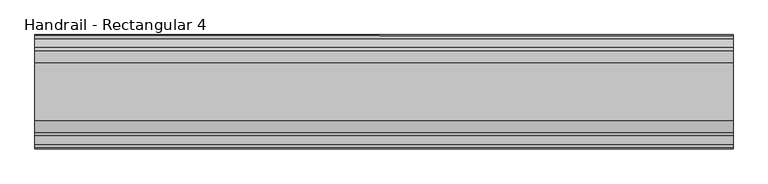
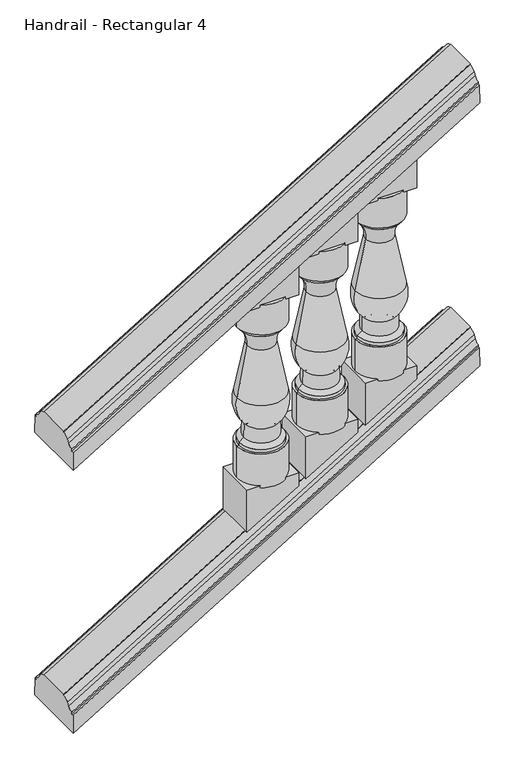
"""IFC4 building model written with IfcOpenShell, lengths in millimetres: railing geometry, Handrail - Rectangular 4."""

from ifc_helpers import new_model, si_unit, point, frame, origin, place, context, project, spatial, polyline, circle_curve, ellipse_curve, trimmed, outline, extrude, source, transform, mapped, element, save
from ifc_brep_helpers import plane_surface, cylinder_surface, revolved_surface, advanced_brep


def handrail_rectangular_4_7b08d0b7(model_context):
    return source(origin(), model_context, "Body", "SolidModel", [
        advanced_brep(
        [(10937.1027138, 3915.5232089, 1199.0074207), (10937.1027138, 3932.6436506, 1210.4791063), (10937.1027138, 3939.1037227, 1221.5403426), (10937.1027138, 3963.1482089, 1232.4207421), (10937.1027138, 3963.1482089, 1236.1333333), (10937.1027138, 4079.0357089, 1236.1333333), (10937.1027138, 4079.0357089, 1232.4207421), (10937.1027138, 4103.080195, 1221.5403426), (10937.1027138, 4109.5402671, 1210.4791063), (10937.1027138, 4126.6607089, 1199.0074207), (10937.1027138, 4126.6607089, 1191.5822381), (10937.1027138, 4133.8044589, 1191.5822381), (10937.1027138, 4135.3919589, 1128.4681866), (10937.1027138, 3906.7919589, 1128.4681866), (10937.1027138, 3908.3794589, 1191.5822381), (10937.1027138, 3915.5232089, 1191.5822381), (12334.1027138, 3915.5232089, 2045.6740873), (12334.1027138, 3915.5232089, 2038.2489048), (12334.1027138, 3908.3794589, 2038.2489048), (12334.1027138, 3906.7919589, 1975.1348533), (12334.1027138, 4135.3919589, 1975.1348533), (12334.1027138, 4133.8044589, 2038.2489048), (12334.1027138, 4126.6607089, 2038.2489048), (12334.1027138, 4126.6607089, 2045.6740873), (12334.1027138, 4109.5402671, 2057.145773), (12334.1027138, 4103.080195, 2068.2070092), (12334.1027138, 4079.0357089, 2079.0874087), (12334.1027138, 4079.0357089, 2082.8), (12334.1027138, 3963.1482089, 2082.8), (12334.1027138, 3963.1482089, 2079.0874087), (12334.1027138, 3939.1037227, 2068.2070092), (12334.1027138, 3932.6436506, 2057.145773)],
        [
            (0, 1, ellipse_curve(frame((10937.1027138, 3915.5232089, 1222.2111161), z_axis=(1.0, 0.0, 0.0), x_axis=(0.0, 0.0, 1.0)), 23.2036954, 19.84375)),
            (1, 2),
            (2, 3, ellipse_curve(frame((10937.1027138, 3963.1482089, 1190.6540903), z_axis=(-1.0, 0.0, 0.0), x_axis=(0.0, 0.0, -1.0)), 41.7666517, 35.71875)),
            (3, 4),
            (4, 5),
            (5, 6),
            (6, 7, ellipse_curve(frame((10937.1027138, 4079.0357089, 1190.6540903), z_axis=(-1.0, 0.0, 0.0), x_axis=(0.0, 0.0, -1.0)), 41.7666517, 35.71875)),
            (7, 8),
            (8, 9, ellipse_curve(frame((10937.1027138, 4126.6607089, 1222.2111161), z_axis=(1.0, 0.0, 0.0), x_axis=(0.0, 0.0, 1.0)), 23.2036954, 19.84375)),
            (9, 10),
            (10, 11),
            (11, 12),
            (12, 13),
            (13, 14),
            (14, 15),
            (15, 0),
            (16, 17),
            (17, 18),
            (18, 19),
            (19, 20),
            (20, 21),
            (21, 22),
            (22, 23),
            (23, 24, ellipse_curve(frame((12334.1027138, 4126.6607089, 2068.8777828), z_axis=(-1.0, 0.0, 0.0), x_axis=(0.0, 0.0, 1.0)), 23.2036954, 19.84375)),
            (24, 25),
            (25, 26, ellipse_curve(frame((12334.1027138, 4079.0357089, 2037.320757), z_axis=(1.0, 0.0, 0.0), x_axis=(0.0, 0.0, -1.0)), 41.7666517, 35.71875)),
            (26, 27),
            (27, 28),
            (28, 29),
            (29, 30, ellipse_curve(frame((12334.1027138, 3963.1482089, 2037.320757), z_axis=(1.0, 0.0, 0.0), x_axis=(0.0, 0.0, -1.0)), 41.7666517, 35.71875)),
            (30, 31),
            (31, 16, ellipse_curve(frame((12334.1027138, 3915.5232089, 2068.8777828), z_axis=(-1.0, 0.0, 0.0), x_axis=(0.0, 0.0, 1.0)), 23.2036954, 19.84375)),
            (0, 16),
            (31, 1),
            (30, 2),
            (29, 3),
            (28, 4),
            (27, 5),
            (26, 6),
            (25, 7),
            (24, 8),
            (23, 9),
            (22, 10),
            (21, 11),
            (20, 12),
            (19, 13),
            (18, 14),
            (17, 15),
        ],
        [
            plane_surface(frame((10937.1027138, 4021.0919589, 1236.1333333), z_axis=(-1.0, 0.0, 0.0), x_axis=(0.0, 1.0, 0.0))),
            plane_surface(frame((12334.1027138, 4021.0919589, 2082.8), z_axis=(1.0, 0.0, 0.0), x_axis=(0.0, 1.0, 0.0))),
            revolved_surface(polyline([(12349.587982704497, 3932.643650672254, 2066.5307845075777), (10932.017883342452, 3932.643650672254, 1207.3973909549572)]), (10943.2737436, 3915.5232089, 1225.9511342), (0.8551978315540539, 0.0, 0.518301716093285)),
            plane_surface(frame((10937.1027138, 3932.6436506, 1210.4791063), z_axis=(-0.29229904298269427, -0.8258052588880855, 0.4822934209215209), x_axis=(0.8551978315540539, 0.0, 0.518301716093285))),
            cylinder_surface(frame((10957.2614111, 3963.1482089, 1202.8714827), z_axis=(-0.8551978315540539, 0.0, -0.518301716093285), x_axis=(-0.518301716093285, 0.0, 0.8551978315540539)), 35.71875),
            plane_surface(frame((10937.1027138, 3963.1482089, 1232.4207421), z_axis=(0.0, -1.0000000000000002, 0.0), x_axis=(0.8551978315540539, 0.0, 0.518301716093285))),
            plane_surface(frame((10937.1027138, 3963.1482089, 1236.1333333), z_axis=(-0.518301716093285, 0.0, 0.8551978315540539), x_axis=(0.8551978315540539, 0.0, 0.518301716093285))),
            plane_surface(frame((10937.1027138, 4079.0357089, 1236.1333333), z_axis=(0.0, 1.0000000000000002, 0.0), x_axis=(0.8551978315540539, 0.0, 0.518301716093285))),
            cylinder_surface(frame((10957.2614111, 4079.0357089, 1202.8714827), z_axis=(-0.8551978315540539, 0.0, -0.518301716093285), x_axis=(-0.518301716093285, 0.0, 0.8551978315540539)), 35.71875),
            plane_surface(frame((10937.1027138, 4103.080195, 1221.5403426), z_axis=(-0.2922990429826896, 0.8258052588880918, 0.4822934209215132), x_axis=(0.8551978315540539, 0.0, 0.518301716093285))),
            revolved_surface(polyline([(12349.587982704497, 4109.540267127746, 2066.5307845075777), (10932.017883342452, 4109.540267127746, 1207.3973909549572)]), (10943.2737436, 4126.6607089, 1225.9511342), (0.8551978315540539, 0.0, 0.518301716093285)),
            plane_surface(frame((10937.1027138, 4126.6607089, 1199.0074207), z_axis=(0.0, 1.0000000000000002, 0.0), x_axis=(0.8551978315540539, 0.0, 0.5183017160932849))),
            plane_surface(frame((10937.1027138, 4126.6607089, 1191.5822381), z_axis=(-0.5183017160932849, 0.0, 0.8551978315540539), x_axis=(0.8551978315540539, 0.0, 0.5183017160932849))),
            plane_surface(frame((10937.1027138, 4133.8044589, 1191.5822381), z_axis=(-0.015237578896775987, 0.9995677544643533, 0.02514200517968431), x_axis=(0.8551978315540539, 0.0, 0.5183017160932849))),
            plane_surface(frame((10937.1027138, 4135.3919589, 1128.4681866), z_axis=(0.518301716093285, 0.0, -0.8551978315540539), x_axis=(0.8551978315540539, 0.0, 0.518301716093285))),
            plane_surface(frame((10937.1027138, 3906.7919589, 1128.4681866), z_axis=(-0.015237578896776153, -0.9995677544643533, 0.02514200517968458), x_axis=(0.8551978315540539, 0.0, 0.518301716093285))),
            plane_surface(frame((10937.1027138, 3908.3794589, 1191.5822381), z_axis=(-0.5183017160932849, 0.0, 0.8551978315540539), x_axis=(0.8551978315540539, 0.0, 0.5183017160932849))),
            plane_surface(frame((10937.1027138, 3915.5232089, 1191.5822381), z_axis=(0.0, -1.0000000000000002, 0.0), x_axis=(0.8551978315540539, 0.0, 0.5183017160932849))),
        ],
        [
            (0, [[1, 2, 3, 4, 5, 6, 7, 8, 9, 10, 11, 12, 13, 14, 15, 16]]),
            (1, [[17, 18, 19, 20, 21, 22, 23, 24, 25, 26, 27, 28, 29, 30, 31, 32]]),
            (2, [[-1, 33, -32, 34]]),
            (3, [[-2, -34, -31, 35]]),
            (4, [[-3, -35, -30, 36]]),
            (5, [[-4, -36, -29, 37]]),
            (6, [[-5, -37, -28, 38]]),
            (7, [[-6, -38, -27, 39]]),
            (8, [[-7, -39, -26, 40]]),
            (9, [[-8, -40, -25, 41]]),
            (10, [[-9, -41, -24, 42]]),
            (11, [[-10, -42, -23, 43]]),
            (12, [[-11, -43, -22, 44]]),
            (13, [[-12, -44, -21, 45]]),
            (14, [[-13, -45, -20, 46]]),
            (15, [[-14, -46, -19, 47]]),
            (16, [[-15, -47, -18, 48]]),
            (17, [[-16, -48, -17, -33]]),
        ],
    ),
        advanced_brep(
        [(10937.1027138, 3915.5232089, 243.3324207), (10937.1027138, 3932.6436506, 254.8041063), (10937.1027138, 3939.1037227, 265.8653426), (10937.1027138, 3963.1482089, 276.7457421), (10937.1027138, 3963.1482089, 280.4583333), (10937.1027138, 4079.0357089, 280.4583333), (10937.1027138, 4079.0357089, 276.7457421), (10937.1027138, 4103.080195, 265.8653426), (10937.1027138, 4109.5402671, 254.8041063), (10937.1027138, 4126.6607089, 243.3324207), (10937.1027138, 4126.6607089, 235.9072381), (10937.1027138, 4133.8044589, 235.9072381), (10937.1027138, 4135.3919589, 172.7931866), (10937.1027138, 3906.7919589, 172.7931866), (10937.1027138, 3908.3794589, 235.9072381), (10937.1027138, 3915.5232089, 235.9072381), (12334.1027138, 3915.5232089, 1089.9990873), (12334.1027138, 3915.5232089, 1082.5739048), (12334.1027138, 3908.3794589, 1082.5739048), (12334.1027138, 3906.7919589, 1019.4598533), (12334.1027138, 4135.3919589, 1019.4598533), (12334.1027138, 4133.8044589, 1082.5739048), (12334.1027138, 4126.6607089, 1082.5739048), (12334.1027138, 4126.6607089, 1089.9990873), (12334.1027138, 4109.5402671, 1101.470773), (12334.1027138, 4103.080195, 1112.5320092), (12334.1027138, 4079.0357089, 1123.4124087), (12334.1027138, 4079.0357089, 1127.125), (12334.1027138, 3963.1482089, 1127.125), (12334.1027138, 3963.1482089, 1123.4124087), (12334.1027138, 3939.1037227, 1112.5320092), (12334.1027138, 3932.6436506, 1101.470773)],
        [
            (0, 1, ellipse_curve(frame((10937.1027138, 3915.5232089, 266.5361161), z_axis=(1.0, 0.0, 0.0), x_axis=(0.0, 0.0, 1.0)), 23.2036954, 19.84375)),
            (1, 2),
            (2, 3, ellipse_curve(frame((10937.1027138, 3963.1482089, 234.9790903), z_axis=(-1.0, 0.0, 0.0), x_axis=(0.0, 0.0, -1.0)), 41.7666517, 35.71875)),
            (3, 4),
            (4, 5),
            (5, 6),
            (6, 7, ellipse_curve(frame((10937.1027138, 4079.0357089, 234.9790903), z_axis=(-1.0, 0.0, 0.0), x_axis=(0.0, 0.0, -1.0)), 41.7666517, 35.71875)),
            (7, 8),
            (8, 9, ellipse_curve(frame((10937.1027138, 4126.6607089, 266.5361161), z_axis=(1.0, 0.0, 0.0), x_axis=(0.0, 0.0, 1.0)), 23.2036954, 19.84375)),
            (9, 10),
            (10, 11),
            (11, 12),
            (12, 13),
            (13, 14),
            (14, 15),
            (15, 0),
            (16, 17),
            (17, 18),
            (18, 19),
            (19, 20),
            (20, 21),
            (21, 22),
            (22, 23),
            (23, 24, ellipse_curve(frame((12334.1027138, 4126.6607089, 1113.2027828), z_axis=(-1.0, 0.0, 0.0), x_axis=(0.0, 0.0, 1.0)), 23.2036954, 19.84375)),
            (24, 25),
            (25, 26, ellipse_curve(frame((12334.1027138, 4079.0357089, 1081.645757), z_axis=(1.0, 0.0, 0.0), x_axis=(0.0, 0.0, -1.0)), 41.7666517, 35.71875)),
            (26, 27),
            (27, 28),
            (28, 29),
            (29, 30, ellipse_curve(frame((12334.1027138, 3963.1482089, 1081.645757), z_axis=(1.0, 0.0, 0.0), x_axis=(0.0, 0.0, -1.0)), 41.7666517, 35.71875)),
            (30, 31),
            (31, 16, ellipse_curve(frame((12334.1027138, 3915.5232089, 1113.2027828), z_axis=(-1.0, 0.0, 0.0), x_axis=(0.0, 0.0, 1.0)), 23.2036954, 19.84375)),
            (0, 16),
            (31, 1),
            (30, 2),
            (29, 3),
            (28, 4),
            (27, 5),
            (26, 6),
            (25, 7),
            (24, 8),
            (23, 9),
            (22, 10),
            (21, 11),
            (20, 12),
            (19, 13),
            (18, 14),
            (17, 15),
        ],
        [
            plane_surface(frame((10937.1027138, 4021.0919589, 280.4583333), z_axis=(-1.0, 0.0, 0.0), x_axis=(0.0, 1.0, 0.0))),
            plane_surface(frame((12334.1027138, 4021.0919589, 1127.125), z_axis=(1.0, 0.0, 0.0), x_axis=(0.0, 1.0, 0.0))),
            revolved_surface(polyline([(12349.587982704497, 3932.643650672254, 1110.8557845075777), (10932.017883342452, 3932.643650672254, 251.72239095495712)]), (10943.2737436, 3915.5232089, 270.2761342), (0.8551978315540539, 0.0, 0.518301716093285)),
            plane_surface(frame((10937.1027138, 3932.6436506, 254.8041063), z_axis=(-0.29229904298269427, -0.8258052588880855, 0.4822934209215209), x_axis=(0.8551978315540539, 0.0, 0.518301716093285))),
            cylinder_surface(frame((10957.2614111, 3963.1482089, 247.1964827), z_axis=(-0.8551978315540539, 0.0, -0.518301716093285), x_axis=(-0.518301716093285, 0.0, 0.8551978315540539)), 35.71875),
            plane_surface(frame((10937.1027138, 3963.1482089, 276.7457421), z_axis=(0.0, -1.0000000000000002, 0.0), x_axis=(0.8551978315540539, 0.0, 0.518301716093285))),
            plane_surface(frame((10937.1027138, 3963.1482089, 280.4583333), z_axis=(-0.518301716093285, 0.0, 0.8551978315540539), x_axis=(0.8551978315540539, 0.0, 0.518301716093285))),
            plane_surface(frame((10937.1027138, 4079.0357089, 280.4583333), z_axis=(0.0, 1.0000000000000002, 0.0), x_axis=(0.8551978315540539, 0.0, 0.518301716093285))),
            cylinder_surface(frame((10957.2614111, 4079.0357089, 247.1964827), z_axis=(-0.8551978315540539, 0.0, -0.518301716093285), x_axis=(-0.518301716093285, 0.0, 0.8551978315540539)), 35.71875),
            plane_surface(frame((10937.1027138, 4103.080195, 265.8653426), z_axis=(-0.2922990429826896, 0.8258052588880918, 0.4822934209215132), x_axis=(0.8551978315540539, 0.0, 0.518301716093285))),
            revolved_surface(polyline([(12349.587982704497, 4109.540267127746, 1110.8557845075777), (10932.017883342452, 4109.540267127746, 251.72239095495718)]), (10943.2737436, 4126.6607089, 270.2761342), (0.8551978315540539, 0.0, 0.518301716093285)),
            plane_surface(frame((10937.1027138, 4126.6607089, 243.3324207), z_axis=(0.0, 1.0000000000000002, 0.0), x_axis=(0.8551978315540539, 0.0, 0.518301716093285))),
            plane_surface(frame((10937.1027138, 4126.6607089, 235.9072381), z_axis=(-0.518301716093285, 0.0, 0.8551978315540539), x_axis=(0.8551978315540539, 0.0, 0.518301716093285))),
            plane_surface(frame((10937.1027138, 4133.8044589, 235.9072381), z_axis=(-0.015237578896775988, 0.9995677544643533, 0.02514200517968431), x_axis=(0.8551978315540539, 0.0, 0.518301716093285))),
            plane_surface(frame((10937.1027138, 4135.3919589, 172.7931866), z_axis=(0.518301716093285, 0.0, -0.8551978315540538), x_axis=(0.8551978315540538, 0.0, 0.518301716093285))),
            plane_surface(frame((10937.1027138, 3906.7919589, 172.7931866), z_axis=(-0.015237578896776151, -0.9995677544643531, 0.025142005179684575), x_axis=(0.8551978315540538, 0.0, 0.518301716093285))),
            plane_surface(frame((10937.1027138, 3908.3794589, 235.9072381), z_axis=(-0.518301716093285, 0.0, 0.8551978315540539), x_axis=(0.8551978315540539, 0.0, 0.518301716093285))),
            plane_surface(frame((10937.1027138, 3915.5232089, 235.9072381), z_axis=(0.0, -1.0000000000000002, 0.0), x_axis=(0.8551978315540539, 0.0, 0.518301716093285))),
        ],
        [
            (0, [[1, 2, 3, 4, 5, 6, 7, 8, 9, 10, 11, 12, 13, 14, 15, 16]]),
            (1, [[17, 18, 19, 20, 21, 22, 23, 24, 25, 26, 27, 28, 29, 30, 31, 32]]),
            (2, [[-1, 33, -32, 34]]),
            (3, [[-2, -34, -31, 35]]),
            (4, [[-3, -35, -30, 36]]),
            (5, [[-4, -36, -29, 37]]),
            (6, [[-5, -37, -28, 38]]),
            (7, [[-6, -38, -27, 39]]),
            (8, [[-7, -39, -26, 40]]),
            (9, [[-8, -40, -25, 41]]),
            (10, [[-9, -41, -24, 42]]),
            (11, [[-10, -42, -23, 43]]),
            (12, [[-11, -43, -22, 44]]),
            (13, [[-12, -44, -21, 45]]),
            (14, [[-13, -45, -20, 46]]),
            (15, [[-14, -46, -19, 47]]),
            (16, [[-15, -47, -18, 48]]),
            (17, [[-16, -48, -17, -33]]),
        ],
    ),
        advanced_brep(
        [(11972.1527138, 4021.0919589, 1713.5840933), (12137.2527138, 4021.0919589, 1713.5840933), (12054.7027138, 4021.0919589, 1713.5840933), (11972.1527138, 4021.0919589, 1605.6340933), (12137.2527138, 4021.0919589, 1605.6340933), (11980.0902138, 4021.0919589, 1605.6340933), (12129.3152138, 4021.0919589, 1605.6340933), (11980.0902138, 4021.0919589, 1594.5215933), (12129.3152138, 4021.0919589, 1594.5215933), (12007.8714638, 4021.0919589, 1526.2590933), (12101.5339638, 4021.0919589, 1526.2590933), (11972.9464638, 4021.0919589, 1348.4590933), (12136.4589638, 4021.0919589, 1348.4590933), (11996.7589638, 4021.0919589, 1246.8590933), (12112.6464638, 4021.0919589, 1246.8590933), (11995.9652138, 4021.0919589, 1196.0590933), (12113.4402138, 4021.0919589, 1196.0590933), (11980.0902138, 4021.0919589, 1183.3590933), (12129.3152138, 4021.0919589, 1183.3590933), (11980.0902138, 4021.0919589, 1172.2465933), (12129.3152138, 4021.0919589, 1172.2465933), (11972.1527138, 4021.0919589, 1172.2465933), (12137.2527138, 4021.0919589, 1172.2465933), (11972.1527138, 4021.0919589, 1050.0090933), (12137.2527138, 4021.0919589, 1050.0090933), (12054.7027138, 4021.0919589, 1050.0090933)],
        [
            (0, 1, circle_curve(frame((12054.7027138, 4021.0919589, 1713.5840933), z_axis=(0.0, 0.0, 1.0), x_axis=(1.0, 0.0, 0.0)), 82.55)),
            (1, 2),
            (2, 0),
            (1, 0, circle_curve(frame((12054.7027138, 4021.0919589, 1713.5840933), z_axis=(0.0, 0.0, 1.0), x_axis=(1.0, 0.0, 0.0)), 82.55)),
            (3, 4, circle_curve(frame((12054.7027138, 4021.0919589, 1605.6340933), z_axis=(0.0, 0.0, 1.0), x_axis=(1.0, 0.0, 0.0)), 82.55)),
            (4, 1),
            (0, 3),
            (4, 3, circle_curve(frame((12054.7027138, 4021.0919589, 1605.6340933), z_axis=(0.0, 0.0, 1.0), x_axis=(1.0, 0.0, 0.0)), 82.55)),
            (5, 6, circle_curve(frame((12054.7027138, 4021.0919589, 1605.6340933), z_axis=(0.0, 0.0, 1.0), x_axis=(1.0, 0.0, 0.0)), 74.6125)),
            (6, 4),
            (3, 5),
            (6, 5, circle_curve(frame((12054.7027138, 4021.0919589, 1605.6340933), z_axis=(0.0, 0.0, 1.0), x_axis=(1.0, 0.0, 0.0)), 74.6125)),
            (7, 8, circle_curve(frame((12054.7027138, 4021.0919589, 1594.5215933), z_axis=(0.0, 0.0, 1.0), x_axis=(1.0, 0.0, 0.0)), 74.6125)),
            (8, 6),
            (5, 7),
            (8, 7, circle_curve(frame((12054.7027138, 4021.0919589, 1594.5215933), z_axis=(0.0, 0.0, 1.0), x_axis=(1.0, 0.0, 0.0)), 74.6125)),
            (9, 10, circle_curve(frame((12054.7027138, 4021.0919589, 1526.2590933), z_axis=(0.0, 0.0, 1.0), x_axis=(1.0, 0.0, 0.0)), 46.83125)),
            (10, 8, circle_curve(frame((12180.7079484, 4021.0919589, 1533.8215342), z_axis=(0.0, 1.0, 0.0), x_axis=(-1.0, 0.0, 0.0)), 79.5343344)),
            (7, 9, circle_curve(frame((11928.6974791, 4021.0919589, 1533.8215342), z_axis=(0.0, 1.0, 0.0), x_axis=(1.0, 0.0, 0.0)), 79.5343344)),
            (10, 9, circle_curve(frame((12054.7027138, 4021.0919589, 1526.2590933), z_axis=(0.0, 0.0, 1.0), x_axis=(1.0, 0.0, 0.0)), 46.83125)),
            (11, 12, circle_curve(frame((12054.7027138, 4021.0919589, 1348.4590933), z_axis=(0.0, 0.0, 1.0), x_axis=(1.0, 0.0, 0.0)), 81.75625)),
            (12, 10, circle_curve(frame((13016.4924187, 4021.0919589, 1613.6529416), z_axis=(0.0, 1.0, 0.0), x_axis=(-1.0, 0.0, 0.0)), 919.122766)),
            (9, 11, circle_curve(frame((11092.9130088, 4021.0919589, 1613.6529416), z_axis=(0.0, 1.0, 0.0), x_axis=(1.0, 0.0, 0.0)), 919.122766)),
            (12, 11, circle_curve(frame((12054.7027138, 4021.0919589, 1348.4590933), z_axis=(0.0, 0.0, 1.0), x_axis=(1.0, 0.0, 0.0)), 81.75625)),
            (13, 14, circle_curve(frame((12054.7027138, 4021.0919589, 1246.8590933), z_axis=(0.0, 0.0, 1.0), x_axis=(1.0, 0.0, 0.0)), 57.94375)),
            (14, 12, circle_curve(frame((12036.4244151, 4021.0919589, 1318.3141633), z_axis=(0.0, -1.0, 0.0), x_axis=(-1.0, 0.0, 0.0)), 104.4778815)),
            (11, 13, circle_curve(frame((12072.9810124, 4021.0919589, 1318.3141633), z_axis=(0.0, -1.0, 0.0), x_axis=(1.0, 0.0, 0.0)), 104.4778815)),
            (14, 13, circle_curve(frame((12054.7027138, 4021.0919589, 1246.8590933), z_axis=(0.0, 0.0, 1.0), x_axis=(1.0, 0.0, 0.0)), 57.94375)),
            (15, 16, circle_curve(frame((12054.7027138, 4021.0919589, 1196.0590933), z_axis=(0.0, 0.0, 1.0), x_axis=(1.0, 0.0, 0.0)), 58.7375)),
            (16, 14),
            (13, 15),
            (16, 15, circle_curve(frame((12054.7027138, 4021.0919589, 1196.0590933), z_axis=(0.0, 0.0, 1.0), x_axis=(1.0, 0.0, 0.0)), 58.7375)),
            (17, 18, circle_curve(frame((12054.7027138, 4021.0919589, 1183.3590933), z_axis=(0.0, 0.0, 1.0), x_axis=(1.0, 0.0, 0.0)), 74.6125)),
            (18, 16),
            (15, 17),
            (18, 17, circle_curve(frame((12054.7027138, 4021.0919589, 1183.3590933), z_axis=(0.0, 0.0, 1.0), x_axis=(1.0, 0.0, 0.0)), 74.6125)),
            (19, 20, circle_curve(frame((12054.7027138, 4021.0919589, 1172.2465933), z_axis=(0.0, 0.0, 1.0), x_axis=(1.0, 0.0, 0.0)), 74.6125)),
            (20, 18),
            (17, 19),
            (20, 19, circle_curve(frame((12054.7027138, 4021.0919589, 1172.2465933), z_axis=(0.0, 0.0, 1.0), x_axis=(1.0, 0.0, 0.0)), 74.6125)),
            (21, 22, circle_curve(frame((12054.7027138, 4021.0919589, 1172.2465933), z_axis=(0.0, 0.0, 1.0), x_axis=(1.0, 0.0, 0.0)), 82.55)),
            (22, 20),
            (19, 21),
            (22, 21, circle_curve(frame((12054.7027138, 4021.0919589, 1172.2465933), z_axis=(0.0, 0.0, 1.0), x_axis=(1.0, 0.0, 0.0)), 82.55)),
            (23, 24, circle_curve(frame((12054.7027138, 4021.0919589, 1050.0090933), z_axis=(0.0, 0.0, 1.0), x_axis=(1.0, 0.0, 0.0)), 82.55)),
            (24, 22),
            (21, 23),
            (24, 23, circle_curve(frame((12054.7027138, 4021.0919589, 1050.0090933), z_axis=(0.0, 0.0, 1.0), x_axis=(1.0, 0.0, 0.0)), 82.55)),
            (25, 24),
            (23, 25),
        ],
        [
            plane_surface(frame((12054.7027138, 4021.0919589, 1713.5840933), z_axis=(0.0, 0.0, 1.0), x_axis=(1.0, 0.0, 0.0))),
            cylinder_surface(frame((12054.7027138, 4021.0919589, 1678.6590933), z_axis=(0.0, 0.0, -1.0), x_axis=(1.0, 0.0, 0.0)), 82.55),
            plane_surface(frame((12054.7027138, 4021.0919589, 1605.6340933), z_axis=(0.0, 0.0, -1.0), x_axis=(1.0, 0.0, 0.0))),
            cylinder_surface(frame((12054.7027138, 4021.0919589, 1678.6590933), z_axis=(0.0, 0.0, -1.0), x_axis=(1.0, 0.0, 0.0)), 74.6125),
            revolved_surface(trimmed(ellipse_curve(frame((12180.7079484, 4021.0919589, 1533.8215342), z_axis=(0.0, -1.0, 0.0), x_axis=(-1.0, 0.0, 0.0)), 79.5343344, 79.5343344), [point((12129.3152138, 4021.0919589, 1594.5215933))], [point((12101.5339638, 4021.0919589, 1526.2590933))], True, "CARTESIAN"), (12054.7027138, 4021.0919589, 1678.6590933), (0.0, 0.0, -1.0)),
            revolved_surface(trimmed(ellipse_curve(frame((13016.4924187, 4021.0919589, 1613.6529416), z_axis=(0.0, -1.0, 0.0), x_axis=(-1.0, 0.0, 0.0)), 919.122766, 919.122766), [point((12101.5339638, 4021.0919589, 1526.2590933))], [point((12136.4589638, 4021.0919589, 1348.4590933))], True, "CARTESIAN"), (12054.7027138, 4021.0919589, 1678.6590933), (0.0, 0.0, -1.0)),
            revolved_surface(trimmed(ellipse_curve(frame((12036.4244151, 4021.0919589, 1318.3141633), z_axis=(0.0, 1.0, 0.0), x_axis=(-1.0, 0.0, 0.0)), 104.4778815, 104.4778815), [point((12136.4589638, 4021.0919589, 1348.4590933))], [point((12112.6464638, 4021.0919589, 1246.8590933))], True, "CARTESIAN"), (12054.7027138, 4021.0919589, 1678.6590933), (0.0, 0.0, -1.0)),
            revolved_surface(polyline([(12112.6464638, 4021.0919589, 1246.8590933), (12113.4402138, 4021.0919589, 1196.0590933)]), (12054.7027138, 4021.0919589, 1678.6590933), (0.0, 0.0, -1.0)),
            revolved_surface(polyline([(12113.4402138, 4021.0919589, 1196.0590933), (12129.3152138, 4021.0919589, 1183.3590933)]), (12054.7027138, 4021.0919589, 1678.6590933), (0.0, 0.0, -1.0)),
            plane_surface(frame((12054.7027138, 4021.0919589, 1172.2465933), z_axis=(0.0, 0.0, 1.0), x_axis=(1.0, 0.0, 0.0))),
            plane_surface(frame((12054.7027138, 4021.0919589, 1050.0090933), z_axis=(0.0, 0.0, -1.0), x_axis=(1.0, 0.0, 0.0))),
        ],
        [
            (0, [[1, 2, 3]]),
            (0, [[4, -3, -2]]),
            (1, [[5, 6, -1, 7]]),
            (1, [[8, -7, -4, -6]]),
            (2, [[9, 10, -5, 11]]),
            (2, [[12, -11, -8, -10]]),
            (3, [[13, 14, -9, 15]]),
            (3, [[16, -15, -12, -14]]),
            (4, [[17, 18, -13, 19]]),
            (4, [[20, -19, -16, -18]]),
            (5, [[21, 22, -17, 23]]),
            (5, [[24, -23, -20, -22]]),
            (6, [[25, 26, -21, 27]]),
            (6, [[28, -27, -24, -26]]),
            (7, [[29, 30, -25, 31]]),
            (7, [[32, -31, -28, -30]]),
            (8, [[33, 34, -29, 35]]),
            (8, [[36, -35, -32, -34]]),
            (3, [[37, 38, -33, 39]]),
            (3, [[40, -39, -36, -38]]),
            (9, [[41, 42, -37, 43]]),
            (9, [[44, -43, -40, -42]]),
            (1, [[45, 46, -41, 47]]),
            (1, [[48, -47, -44, -46]]),
            (10, [[49, -45, 50]]),
            (10, [[-50, -48, -49]]),
        ],
    ),
        extrude(outline(polyline([(1057.8041667, 12143.6027138), (1057.8041667, 11965.8027138), (903.9128788, 11965.8027138), (1011.6704545, 12143.6027138), (1057.8041667, 12143.6027138)])), frame((0.0, 3951.2419589, 0.0), z_axis=(0.0, 1.0, 0.0), x_axis=(0.0, 0.0, 1.0)), (0.0, 0.0, 1.0), 139.7),
        extrude(outline(polyline([(1705.78902, 11965.8027138), (1705.78902, 12143.6027138), (1859.6803078, 12143.6027138), (1751.9227321, 11965.8027138), (1705.78902, 11965.8027138)])), frame((0.0, 3951.2419589, 0.0), z_axis=(0.0, 1.0, 0.0), x_axis=(0.0, 0.0, 1.0)), (0.0, 0.0, 1.0), 139.7),
        advanced_brep(
        [(11768.9527138, 4021.0919589, 1590.4325782), (11934.0527138, 4021.0919589, 1590.4325782), (11851.5027138, 4021.0919589, 1590.4325782), (11768.9527138, 4021.0919589, 1482.4825782), (11934.0527138, 4021.0919589, 1482.4825782), (11776.8902138, 4021.0919589, 1482.4825782), (11926.1152138, 4021.0919589, 1482.4825782), (11776.8902138, 4021.0919589, 1471.3700782), (11926.1152138, 4021.0919589, 1471.3700782), (11804.6714638, 4021.0919589, 1403.1075782), (11898.3339638, 4021.0919589, 1403.1075782), (11769.7464638, 4021.0919589, 1225.3075782), (11933.2589638, 4021.0919589, 1225.3075782), (11793.5589638, 4021.0919589, 1123.7075782), (11909.4464638, 4021.0919589, 1123.7075782), (11792.7652138, 4021.0919589, 1072.9075782), (11910.2402138, 4021.0919589, 1072.9075782), (11776.8902138, 4021.0919589, 1060.2075782), (11926.1152138, 4021.0919589, 1060.2075782), (11776.8902138, 4021.0919589, 1049.0950782), (11926.1152138, 4021.0919589, 1049.0950782), (11768.9527138, 4021.0919589, 1049.0950782), (11934.0527138, 4021.0919589, 1049.0950782), (11768.9527138, 4021.0919589, 926.8575782), (11934.0527138, 4021.0919589, 926.8575782), (11851.5027138, 4021.0919589, 926.8575782)],
        [
            (0, 1, circle_curve(frame((11851.5027138, 4021.0919589, 1590.4325782), z_axis=(0.0, 0.0, 1.0), x_axis=(1.0, 0.0, 0.0)), 82.55)),
            (1, 2),
            (2, 0),
            (1, 0, circle_curve(frame((11851.5027138, 4021.0919589, 1590.4325782), z_axis=(0.0, 0.0, 1.0), x_axis=(1.0, 0.0, 0.0)), 82.55)),
            (3, 4, circle_curve(frame((11851.5027138, 4021.0919589, 1482.4825782), z_axis=(0.0, 0.0, 1.0), x_axis=(1.0, 0.0, 0.0)), 82.55)),
            (4, 1),
            (0, 3),
            (4, 3, circle_curve(frame((11851.5027138, 4021.0919589, 1482.4825782), z_axis=(0.0, 0.0, 1.0), x_axis=(1.0, 0.0, 0.0)), 82.55)),
            (5, 6, circle_curve(frame((11851.5027138, 4021.0919589, 1482.4825782), z_axis=(0.0, 0.0, 1.0), x_axis=(1.0, 0.0, 0.0)), 74.6125)),
            (6, 4),
            (3, 5),
            (6, 5, circle_curve(frame((11851.5027138, 4021.0919589, 1482.4825782), z_axis=(0.0, 0.0, 1.0), x_axis=(1.0, 0.0, 0.0)), 74.6125)),
            (7, 8, circle_curve(frame((11851.5027138, 4021.0919589, 1471.3700782), z_axis=(0.0, 0.0, 1.0), x_axis=(1.0, 0.0, 0.0)), 74.6125)),
            (8, 6),
            (5, 7),
            (8, 7, circle_curve(frame((11851.5027138, 4021.0919589, 1471.3700782), z_axis=(0.0, 0.0, 1.0), x_axis=(1.0, 0.0, 0.0)), 74.6125)),
            (9, 10, circle_curve(frame((11851.5027138, 4021.0919589, 1403.1075782), z_axis=(0.0, 0.0, 1.0), x_axis=(1.0, 0.0, 0.0)), 46.83125)),
            (10, 8, circle_curve(frame((11977.5079484, 4021.0919589, 1410.670019), z_axis=(0.0, 1.0, 0.0), x_axis=(-1.0, 0.0, 0.0)), 79.5343344)),
            (7, 9, circle_curve(frame((11725.4974791, 4021.0919589, 1410.670019), z_axis=(0.0, 1.0, 0.0), x_axis=(1.0, 0.0, 0.0)), 79.5343344)),
            (10, 9, circle_curve(frame((11851.5027138, 4021.0919589, 1403.1075782), z_axis=(0.0, 0.0, 1.0), x_axis=(1.0, 0.0, 0.0)), 46.83125)),
            (11, 12, circle_curve(frame((11851.5027138, 4021.0919589, 1225.3075782), z_axis=(0.0, 0.0, 1.0), x_axis=(1.0, 0.0, 0.0)), 81.75625)),
            (12, 10, circle_curve(frame((12813.2924187, 4021.0919589, 1490.5014265), z_axis=(0.0, 1.0, 0.0), x_axis=(-1.0, 0.0, 0.0)), 919.122766)),
            (9, 11, circle_curve(frame((10889.7130088, 4021.0919589, 1490.5014265), z_axis=(0.0, 1.0, 0.0), x_axis=(1.0, 0.0, 0.0)), 919.122766)),
            (12, 11, circle_curve(frame((11851.5027138, 4021.0919589, 1225.3075782), z_axis=(0.0, 0.0, 1.0), x_axis=(1.0, 0.0, 0.0)), 81.75625)),
            (13, 14, circle_curve(frame((11851.5027138, 4021.0919589, 1123.7075782), z_axis=(0.0, 0.0, 1.0), x_axis=(1.0, 0.0, 0.0)), 57.94375)),
            (14, 12, circle_curve(frame((11833.2244151, 4021.0919589, 1195.1626481), z_axis=(0.0, -1.0, 0.0), x_axis=(-1.0, 0.0, 0.0)), 104.4778815)),
            (11, 13, circle_curve(frame((11869.7810124, 4021.0919589, 1195.1626481), z_axis=(0.0, -1.0, 0.0), x_axis=(1.0, 0.0, 0.0)), 104.4778815)),
            (14, 13, circle_curve(frame((11851.5027138, 4021.0919589, 1123.7075782), z_axis=(0.0, 0.0, 1.0), x_axis=(1.0, 0.0, 0.0)), 57.94375)),
            (15, 16, circle_curve(frame((11851.5027138, 4021.0919589, 1072.9075782), z_axis=(0.0, 0.0, 1.0), x_axis=(1.0, 0.0, 0.0)), 58.7375)),
            (16, 14),
            (13, 15),
            (16, 15, circle_curve(frame((11851.5027138, 4021.0919589, 1072.9075782), z_axis=(0.0, 0.0, 1.0), x_axis=(1.0, 0.0, 0.0)), 58.7375)),
            (17, 18, circle_curve(frame((11851.5027138, 4021.0919589, 1060.2075782), z_axis=(0.0, 0.0, 1.0), x_axis=(1.0, 0.0, 0.0)), 74.6125)),
            (18, 16),
            (15, 17),
            (18, 17, circle_curve(frame((11851.5027138, 4021.0919589, 1060.2075782), z_axis=(0.0, 0.0, 1.0), x_axis=(1.0, 0.0, 0.0)), 74.6125)),
            (19, 20, circle_curve(frame((11851.5027138, 4021.0919589, 1049.0950782), z_axis=(0.0, 0.0, 1.0), x_axis=(1.0, 0.0, 0.0)), 74.6125)),
            (20, 18),
            (17, 19),
            (20, 19, circle_curve(frame((11851.5027138, 4021.0919589, 1049.0950782), z_axis=(0.0, 0.0, 1.0), x_axis=(1.0, 0.0, 0.0)), 74.6125)),
            (21, 22, circle_curve(frame((11851.5027138, 4021.0919589, 1049.0950782), z_axis=(0.0, 0.0, 1.0), x_axis=(1.0, 0.0, 0.0)), 82.55)),
            (22, 20),
            (19, 21),
            (22, 21, circle_curve(frame((11851.5027138, 4021.0919589, 1049.0950782), z_axis=(0.0, 0.0, 1.0), x_axis=(1.0, 0.0, 0.0)), 82.55)),
            (23, 24, circle_curve(frame((11851.5027138, 4021.0919589, 926.8575782), z_axis=(0.0, 0.0, 1.0), x_axis=(1.0, 0.0, 0.0)), 82.55)),
            (24, 22),
            (21, 23),
            (24, 23, circle_curve(frame((11851.5027138, 4021.0919589, 926.8575782), z_axis=(0.0, 0.0, 1.0), x_axis=(1.0, 0.0, 0.0)), 82.55)),
            (25, 24),
            (23, 25),
        ],
        [
            plane_surface(frame((11851.5027138, 4021.0919589, 1590.4325782), z_axis=(0.0, 0.0, 1.0), x_axis=(1.0, 0.0, 0.0))),
            cylinder_surface(frame((11851.5027138, 4021.0919589, 1555.5075782), z_axis=(0.0, 0.0, -1.0), x_axis=(1.0, 0.0, 0.0)), 82.55),
            plane_surface(frame((11851.5027138, 4021.0919589, 1482.4825782), z_axis=(0.0, 0.0, -1.0), x_axis=(1.0, 0.0, 0.0))),
            cylinder_surface(frame((11851.5027138, 4021.0919589, 1555.5075782), z_axis=(0.0, 0.0, -1.0), x_axis=(1.0, 0.0, 0.0)), 74.6125),
            revolved_surface(trimmed(ellipse_curve(frame((11977.5079484, 4021.0919589, 1410.670019), z_axis=(0.0, -1.0, 0.0), x_axis=(-1.0, 0.0, 0.0)), 79.5343344, 79.5343344), [point((11926.1152138, 4021.0919589, 1471.3700782))], [point((11898.3339638, 4021.0919589, 1403.1075782))], True, "CARTESIAN"), (11851.5027138, 4021.0919589, 1555.5075782), (0.0, 0.0, -1.0)),
            revolved_surface(trimmed(ellipse_curve(frame((12813.2924187, 4021.0919589, 1490.5014265), z_axis=(0.0, -1.0, 0.0), x_axis=(-1.0, 0.0, 0.0)), 919.122766, 919.122766), [point((11898.3339638, 4021.0919589, 1403.1075782))], [point((11933.2589638, 4021.0919589, 1225.3075782))], True, "CARTESIAN"), (11851.5027138, 4021.0919589, 1555.5075782), (0.0, 0.0, -1.0)),
            revolved_surface(trimmed(ellipse_curve(frame((11833.2244151, 4021.0919589, 1195.1626481), z_axis=(0.0, 1.0, 0.0), x_axis=(-1.0, 0.0, 0.0)), 104.4778815, 104.4778815), [point((11933.2589638, 4021.0919589, 1225.3075782))], [point((11909.4464638, 4021.0919589, 1123.7075782))], True, "CARTESIAN"), (11851.5027138, 4021.0919589, 1555.5075782), (0.0, 0.0, -1.0)),
            revolved_surface(polyline([(11909.4464638, 4021.0919589, 1123.7075782), (11910.2402138, 4021.0919589, 1072.9075782)]), (11851.5027138, 4021.0919589, 1555.5075782), (0.0, 0.0, -1.0)),
            revolved_surface(polyline([(11910.2402138, 4021.0919589, 1072.9075782), (11926.1152138, 4021.0919589, 1060.2075782)]), (11851.5027138, 4021.0919589, 1555.5075782), (0.0, 0.0, -1.0)),
            plane_surface(frame((11851.5027138, 4021.0919589, 1049.0950782), z_axis=(0.0, 0.0, 1.0), x_axis=(1.0, 0.0, 0.0))),
            plane_surface(frame((11851.5027138, 4021.0919589, 926.8575782), z_axis=(0.0, 0.0, -1.0), x_axis=(1.0, 0.0, 0.0))),
        ],
        [
            (0, [[1, 2, 3]]),
            (0, [[4, -3, -2]]),
            (1, [[5, 6, -1, 7]]),
            (1, [[8, -7, -4, -6]]),
            (2, [[9, 10, -5, 11]]),
            (2, [[12, -11, -8, -10]]),
            (3, [[13, 14, -9, 15]]),
            (3, [[16, -15, -12, -14]]),
            (4, [[17, 18, -13, 19]]),
            (4, [[20, -19, -16, -18]]),
            (5, [[21, 22, -17, 23]]),
            (5, [[24, -23, -20, -22]]),
            (6, [[25, 26, -21, 27]]),
            (6, [[28, -27, -24, -26]]),
            (7, [[29, 30, -25, 31]]),
            (7, [[32, -31, -28, -30]]),
            (8, [[33, 34, -29, 35]]),
            (8, [[36, -35, -32, -34]]),
            (3, [[37, 38, -33, 39]]),
            (3, [[40, -39, -36, -38]]),
            (9, [[41, 42, -37, 43]]),
            (9, [[44, -43, -40, -42]]),
            (1, [[45, 46, -41, 47]]),
            (1, [[48, -47, -44, -46]]),
            (10, [[49, -45, 50]]),
            (10, [[-50, -48, -49]]),
        ],
    ),
        extrude(outline(polyline([(934.6526515, 11940.4027138), (934.6526515, 11762.6027138), (780.7613636, 11762.6027138), (888.5189394, 11940.4027138), (934.6526515, 11940.4027138)])), frame((0.0, 3951.2419589, 0.0), z_axis=(0.0, 1.0, 0.0), x_axis=(0.0, 0.0, 1.0)), (0.0, 0.0, 1.0), 139.7),
        extrude(outline(polyline([(1582.6375048, 11762.6027138), (1582.6375048, 11940.4027138), (1736.5287927, 11940.4027138), (1628.7712169, 11762.6027138), (1582.6375048, 11762.6027138)])), frame((0.0, 3951.2419589, 0.0), z_axis=(0.0, 1.0, 0.0), x_axis=(0.0, 0.0, 1.0)), (0.0, 0.0, 1.0), 139.7),
        advanced_brep(
        [(11565.7527138, 4021.0919589, 1467.281063), (11730.8527138, 4021.0919589, 1467.281063), (11648.3027138, 4021.0919589, 1467.281063), (11565.7527138, 4021.0919589, 1359.331063), (11730.8527138, 4021.0919589, 1359.331063), (11573.6902138, 4021.0919589, 1359.331063), (11722.9152138, 4021.0919589, 1359.331063), (11573.6902138, 4021.0919589, 1348.218563), (11722.9152138, 4021.0919589, 1348.218563), (11601.4714638, 4021.0919589, 1279.956063), (11695.1339638, 4021.0919589, 1279.956063), (11566.5464638, 4021.0919589, 1102.156063), (11730.0589638, 4021.0919589, 1102.156063), (11590.3589638, 4021.0919589, 1000.556063), (11706.2464638, 4021.0919589, 1000.556063), (11589.5652138, 4021.0919589, 949.756063), (11707.0402138, 4021.0919589, 949.756063), (11573.6902138, 4021.0919589, 937.056063), (11722.9152138, 4021.0919589, 937.056063), (11573.6902138, 4021.0919589, 925.943563), (11722.9152138, 4021.0919589, 925.943563), (11565.7527138, 4021.0919589, 925.943563), (11730.8527138, 4021.0919589, 925.943563), (11565.7527138, 4021.0919589, 803.706063), (11730.8527138, 4021.0919589, 803.706063), (11648.3027138, 4021.0919589, 803.706063)],
        [
            (0, 1, circle_curve(frame((11648.3027138, 4021.0919589, 1467.281063), z_axis=(0.0, 0.0, 1.0), x_axis=(1.0, 0.0, 0.0)), 82.55)),
            (1, 2),
            (2, 0),
            (1, 0, circle_curve(frame((11648.3027138, 4021.0919589, 1467.281063), z_axis=(0.0, 0.0, 1.0), x_axis=(1.0, 0.0, 0.0)), 82.55)),
            (3, 4, circle_curve(frame((11648.3027138, 4021.0919589, 1359.331063), z_axis=(0.0, 0.0, 1.0), x_axis=(1.0, 0.0, 0.0)), 82.55)),
            (4, 1),
            (0, 3),
            (4, 3, circle_curve(frame((11648.3027138, 4021.0919589, 1359.331063), z_axis=(0.0, 0.0, 1.0), x_axis=(1.0, 0.0, 0.0)), 82.55)),
            (5, 6, circle_curve(frame((11648.3027138, 4021.0919589, 1359.331063), z_axis=(0.0, 0.0, 1.0), x_axis=(1.0, 0.0, 0.0)), 74.6125)),
            (6, 4),
            (3, 5),
            (6, 5, circle_curve(frame((11648.3027138, 4021.0919589, 1359.331063), z_axis=(0.0, 0.0, 1.0), x_axis=(1.0, 0.0, 0.0)), 74.6125)),
            (7, 8, circle_curve(frame((11648.3027138, 4021.0919589, 1348.218563), z_axis=(0.0, 0.0, 1.0), x_axis=(1.0, 0.0, 0.0)), 74.6125)),
            (8, 6),
            (5, 7),
            (8, 7, circle_curve(frame((11648.3027138, 4021.0919589, 1348.218563), z_axis=(0.0, 0.0, 1.0), x_axis=(1.0, 0.0, 0.0)), 74.6125)),
            (9, 10, circle_curve(frame((11648.3027138, 4021.0919589, 1279.956063), z_axis=(0.0, 0.0, 1.0), x_axis=(1.0, 0.0, 0.0)), 46.83125)),
            (10, 8, circle_curve(frame((11774.3079484, 4021.0919589, 1287.5185039), z_axis=(0.0, 1.0, 0.0), x_axis=(-1.0, 0.0, 0.0)), 79.5343344)),
            (7, 9, circle_curve(frame((11522.2974791, 4021.0919589, 1287.5185039), z_axis=(0.0, 1.0, 0.0), x_axis=(1.0, 0.0, 0.0)), 79.5343344)),
            (10, 9, circle_curve(frame((11648.3027138, 4021.0919589, 1279.956063), z_axis=(0.0, 0.0, 1.0), x_axis=(1.0, 0.0, 0.0)), 46.83125)),
            (11, 12, circle_curve(frame((11648.3027138, 4021.0919589, 1102.156063), z_axis=(0.0, 0.0, 1.0), x_axis=(1.0, 0.0, 0.0)), 81.75625)),
            (12, 10, circle_curve(frame((12610.0924187, 4021.0919589, 1367.3499113), z_axis=(0.0, 1.0, 0.0), x_axis=(-1.0, 0.0, 0.0)), 919.122766)),
            (9, 11, circle_curve(frame((10686.5130088, 4021.0919589, 1367.3499113), z_axis=(0.0, 1.0, 0.0), x_axis=(1.0, 0.0, 0.0)), 919.122766)),
            (12, 11, circle_curve(frame((11648.3027138, 4021.0919589, 1102.156063), z_axis=(0.0, 0.0, 1.0), x_axis=(1.0, 0.0, 0.0)), 81.75625)),
            (13, 14, circle_curve(frame((11648.3027138, 4021.0919589, 1000.556063), z_axis=(0.0, 0.0, 1.0), x_axis=(1.0, 0.0, 0.0)), 57.94375)),
            (14, 12, circle_curve(frame((11630.0244151, 4021.0919589, 1072.011133), z_axis=(0.0, -1.0, 0.0), x_axis=(-1.0, 0.0, 0.0)), 104.4778815)),
            (11, 13, circle_curve(frame((11666.5810124, 4021.0919589, 1072.011133), z_axis=(0.0, -1.0, 0.0), x_axis=(1.0, 0.0, 0.0)), 104.4778815)),
            (14, 13, circle_curve(frame((11648.3027138, 4021.0919589, 1000.556063), z_axis=(0.0, 0.0, 1.0), x_axis=(1.0, 0.0, 0.0)), 57.94375)),
            (15, 16, circle_curve(frame((11648.3027138, 4021.0919589, 949.756063), z_axis=(0.0, 0.0, 1.0), x_axis=(1.0, 0.0, 0.0)), 58.7375)),
            (16, 14),
            (13, 15),
            (16, 15, circle_curve(frame((11648.3027138, 4021.0919589, 949.756063), z_axis=(0.0, 0.0, 1.0), x_axis=(1.0, 0.0, 0.0)), 58.7375)),
            (17, 18, circle_curve(frame((11648.3027138, 4021.0919589, 937.056063), z_axis=(0.0, 0.0, 1.0), x_axis=(1.0, 0.0, 0.0)), 74.6125)),
            (18, 16),
            (15, 17),
            (18, 17, circle_curve(frame((11648.3027138, 4021.0919589, 937.056063), z_axis=(0.0, 0.0, 1.0), x_axis=(1.0, 0.0, 0.0)), 74.6125)),
            (19, 20, circle_curve(frame((11648.3027138, 4021.0919589, 925.943563), z_axis=(0.0, 0.0, 1.0), x_axis=(1.0, 0.0, 0.0)), 74.6125)),
            (20, 18),
            (17, 19),
            (20, 19, circle_curve(frame((11648.3027138, 4021.0919589, 925.943563), z_axis=(0.0, 0.0, 1.0), x_axis=(1.0, 0.0, 0.0)), 74.6125)),
            (21, 22, circle_curve(frame((11648.3027138, 4021.0919589, 925.943563), z_axis=(0.0, 0.0, 1.0), x_axis=(1.0, 0.0, 0.0)), 82.55)),
            (22, 20),
            (19, 21),
            (22, 21, circle_curve(frame((11648.3027138, 4021.0919589, 925.943563), z_axis=(0.0, 0.0, 1.0), x_axis=(1.0, 0.0, 0.0)), 82.55)),
            (23, 24, circle_curve(frame((11648.3027138, 4021.0919589, 803.706063), z_axis=(0.0, 0.0, 1.0), x_axis=(1.0, 0.0, 0.0)), 82.55)),
            (24, 22),
            (21, 23),
            (24, 23, circle_curve(frame((11648.3027138, 4021.0919589, 803.706063), z_axis=(0.0, 0.0, 1.0), x_axis=(1.0, 0.0, 0.0)), 82.55)),
            (25, 24),
            (23, 25),
        ],
        [
            plane_surface(frame((11648.3027138, 4021.0919589, 1467.281063), z_axis=(0.0, 0.0, 1.0), x_axis=(1.0, 0.0, 0.0))),
            cylinder_surface(frame((11648.3027138, 4021.0919589, 1432.356063), z_axis=(0.0, 0.0, -1.0), x_axis=(1.0, 0.0, 0.0)), 82.55),
            plane_surface(frame((11648.3027138, 4021.0919589, 1359.331063), z_axis=(0.0, 0.0, -1.0), x_axis=(1.0, 0.0, 0.0))),
            cylinder_surface(frame((11648.3027138, 4021.0919589, 1432.356063), z_axis=(0.0, 0.0, -1.0), x_axis=(1.0, 0.0, 0.0)), 74.6125),
            revolved_surface(trimmed(ellipse_curve(frame((11774.3079484, 4021.0919589, 1287.5185039), z_axis=(0.0, -1.0, 0.0), x_axis=(-1.0, 0.0, 0.0)), 79.5343344, 79.5343344), [point((11722.9152138, 4021.0919589, 1348.218563))], [point((11695.1339638, 4021.0919589, 1279.956063))], True, "CARTESIAN"), (11648.3027138, 4021.0919589, 1432.356063), (0.0, 0.0, -1.0)),
            revolved_surface(trimmed(ellipse_curve(frame((12610.0924187, 4021.0919589, 1367.3499113), z_axis=(0.0, -1.0, 0.0), x_axis=(-1.0, 0.0, 0.0)), 919.122766, 919.122766), [point((11695.1339638, 4021.0919589, 1279.956063))], [point((11730.0589638, 4021.0919589, 1102.156063))], True, "CARTESIAN"), (11648.3027138, 4021.0919589, 1432.356063), (0.0, 0.0, -1.0)),
            revolved_surface(trimmed(ellipse_curve(frame((11630.0244151, 4021.0919589, 1072.011133), z_axis=(0.0, 1.0, 0.0), x_axis=(-1.0, 0.0, 0.0)), 104.4778815, 104.4778815), [point((11730.0589638, 4021.0919589, 1102.156063))], [point((11706.2464638, 4021.0919589, 1000.556063))], True, "CARTESIAN"), (11648.3027138, 4021.0919589, 1432.356063), (0.0, 0.0, -1.0)),
            revolved_surface(polyline([(11706.2464638, 4021.0919589, 1000.556063), (11707.0402138, 4021.0919589, 949.756063)]), (11648.3027138, 4021.0919589, 1432.356063), (0.0, 0.0, -1.0)),
            revolved_surface(polyline([(11707.0402138, 4021.0919589, 949.756063), (11722.9152138, 4021.0919589, 937.056063)]), (11648.3027138, 4021.0919589, 1432.356063), (0.0, 0.0, -1.0)),
            plane_surface(frame((11648.3027138, 4021.0919589, 925.943563), z_axis=(0.0, 0.0, 1.0), x_axis=(1.0, 0.0, 0.0))),
            plane_surface(frame((11648.3027138, 4021.0919589, 803.706063), z_axis=(0.0, 0.0, -1.0), x_axis=(1.0, 0.0, 0.0))),
        ],
        [
            (0, [[1, 2, 3]]),
            (0, [[4, -3, -2]]),
            (1, [[5, 6, -1, 7]]),
            (1, [[8, -7, -4, -6]]),
            (2, [[9, 10, -5, 11]]),
            (2, [[12, -11, -8, -10]]),
            (3, [[13, 14, -9, 15]]),
            (3, [[16, -15, -12, -14]]),
            (4, [[17, 18, -13, 19]]),
            (4, [[20, -19, -16, -18]]),
            (5, [[21, 22, -17, 23]]),
            (5, [[24, -23, -20, -22]]),
            (6, [[25, 26, -21, 27]]),
            (6, [[28, -27, -24, -26]]),
            (7, [[29, 30, -25, 31]]),
            (7, [[32, -31, -28, -30]]),
            (8, [[33, 34, -29, 35]]),
            (8, [[36, -35, -32, -34]]),
            (3, [[37, 38, -33, 39]]),
            (3, [[40, -39, -36, -38]]),
            (9, [[41, 42, -37, 43]]),
            (9, [[44, -43, -40, -42]]),
            (1, [[45, 46, -41, 47]]),
            (1, [[48, -47, -44, -46]]),
            (10, [[49, -45, 50]]),
            (10, [[-50, -48, -49]]),
        ],
    ),
        extrude(outline(polyline([(811.5011364, 11737.2027138), (811.5011364, 11559.4027138), (657.6098485, 11559.4027138), (765.3674242, 11737.2027138), (811.5011364, 11737.2027138)])), frame((0.0, 3951.2419589, 0.0), z_axis=(0.0, 1.0, 0.0), x_axis=(0.0, 0.0, 1.0)), (0.0, 0.0, 1.0), 139.7),
        extrude(outline(polyline([(1459.4859897, 11559.4027138), (1459.4859897, 11737.2027138), (1613.3772775, 11737.2027138), (1505.6197018, 11559.4027138), (1459.4859897, 11559.4027138)])), frame((0.0, 3951.2419589, 0.0), z_axis=(0.0, 1.0, 0.0), x_axis=(0.0, 0.0, 1.0)), (0.0, 0.0, 1.0), 139.7),
    ])


if __name__ == "__main__":
    model = new_model("IFC4")
    model_context = context("Model", 3, world=origin())
    ifc_project = project(units=[si_unit("LENGTHUNIT", "METRE", prefix="MILLI")], contexts=[model_context])
    site = spatial("IfcSite", under=ifc_project)
    building = spatial("IfcBuilding", under=site)
    placement = place(None, origin())
    handrail_rectangular_4_shape = handrail_rectangular_4_7b08d0b7(model_context)
    element("IfcRailing", 1, ObjectType="Handrail - Rectangular 4", at=placement, inside=building, context=model_context, shape_type="MappedRepresentation", body=[
        mapped(handrail_rectangular_4_shape, transform((0.0, 0.0, 0.0), x_axis=(1.0, 0.0, 0.0), y_axis=(0.0, 1.0, 0.0), z_axis=(0.0, 0.0, 1.0))),
    ])
    save(model, "model.ifc")
